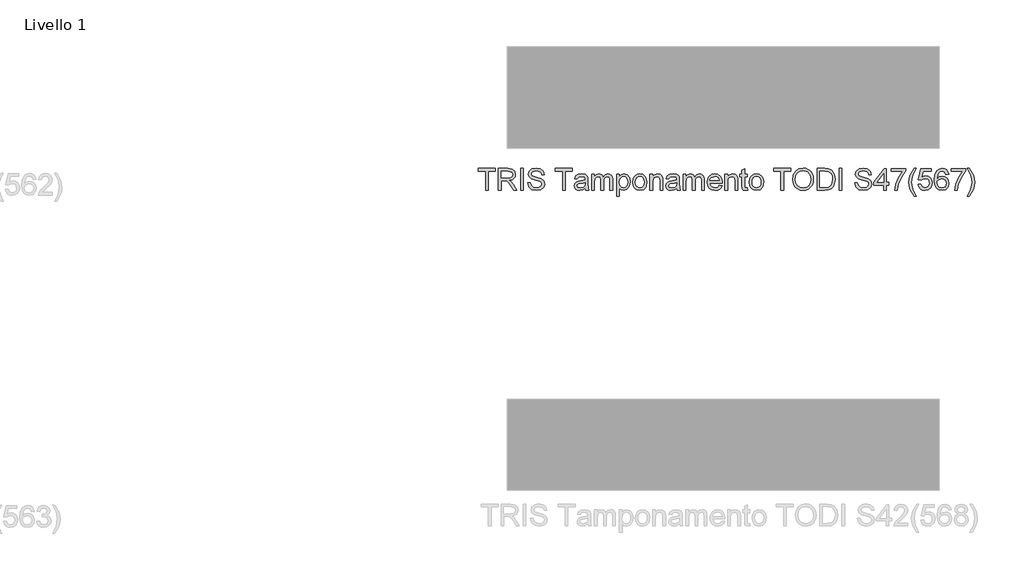
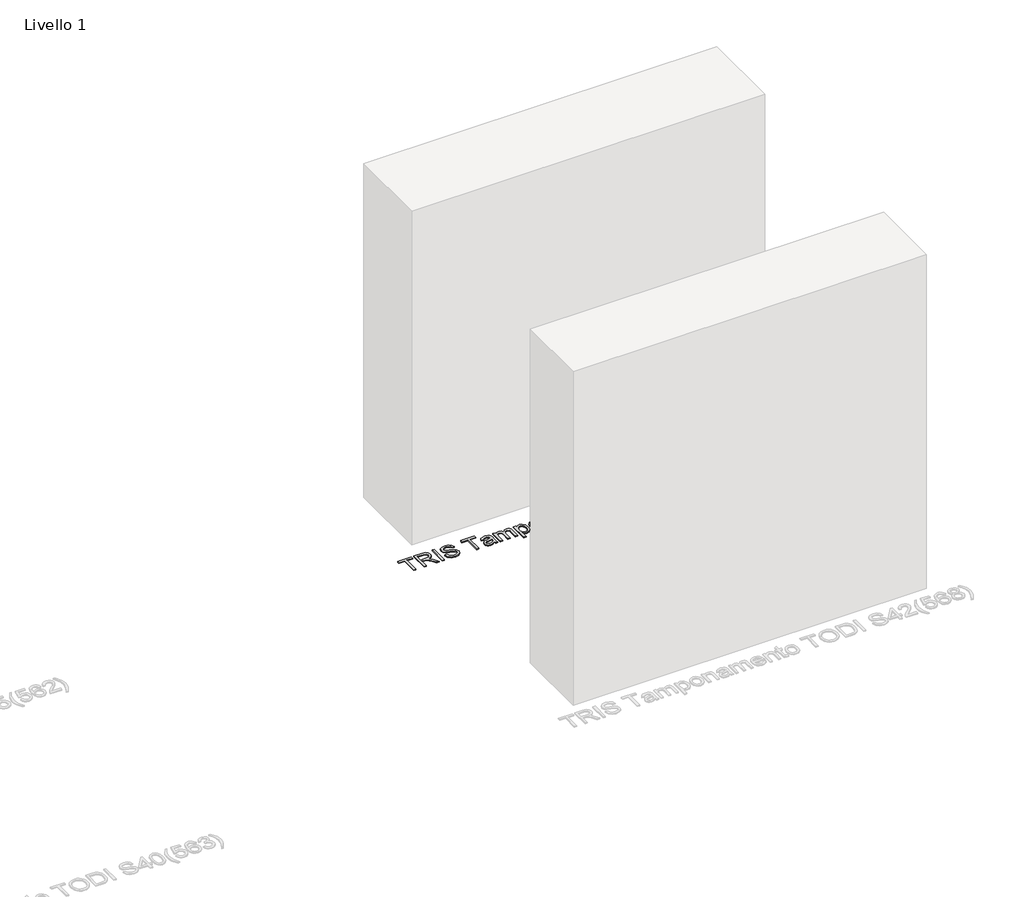
# One storey, part 16 of 18: 1 proxy.
"""IFC4 building model written with IfcOpenShell, lengths in millimetres."""

from ifc_helpers import new_model, si_unit, origin, origin_with_axes, place, context, project, spatial, polyline, outline, extrude, element, save

model = new_model("IFC4")

# Units and contexts
model_context = context("Model", 3, world=origin())
ifc_project = project(units=[si_unit("LENGTHUNIT", "METRE", prefix="MILLI")], contexts=[model_context])

# Site, building, storey
site = spatial("IfcSite", under=ifc_project)
building = spatial("IfcBuilding", under=site)
storey = spatial("IfcBuildingStorey", under=building, Name="Livello 1", Elevation=0.0)

# Proxy
placement = place(None, origin())
element("IfcBuildingElementProxy", 1, Name="100", ObjectType="100", at=placement, inside=storey, context=model_context, shape_type="SweptSolid", body=[
    extrude(outline(polyline([(-1320.016729, 3170.2703955), (-1320.016729, 3258.1696668), (-1352.9789557, 3258.1696668), (-1352.9789557, 3270.7267056), (-1274.4974634, 3270.7267056), (-1274.4974634, 3258.1696668), (-1307.4596902, 3258.1696668), (-1307.4596902, 3170.2703955), (-1320.016729, 3170.2703955)])), origin_with_axes(), (0.0, 0.0, 1.0), 5.0),
    extrude(outline(polyline([(-1260.3707948, 3170.2703955), (-1260.3707948, 3270.7267056), (-1217.0833467, 3270.7267056), (-1196.9847271, 3268.0166416), (-1185.9973181, 3258.4271842), (-1181.8893025, 3243.2336578), (-1183.5907567, 3233.3376322), (-1188.6951194, 3225.1338637), (-1197.3556747, 3219.1189931), (-1209.7257068, 3215.789661), (-1202.5887961, 3210.4185839), (-1192.4107276, 3197.4936631), (-1175.6598341, 3170.2703955), (-1190.2524865, 3170.2703955), (-1203.3245601, 3191.0925164), (-1212.7668646, 3204.8758285), (-1219.4010033, 3211.3873398), (-1225.3729543, 3213.7785728), (-1232.6570178, 3214.2200312), (-1247.8137561, 3214.2200312), (-1247.8137561, 3170.2703955), (-1260.3707948, 3170.2703955)]), holes=[polyline([(-1247.8137561, 3226.7770699), (-1219.7075716, 3226.7770699), (-1205.3724365, 3228.5551662), (-1197.2299817, 3234.2450744), (-1194.4463413, 3242.767674), (-1199.7561047, 3253.8286593), (-1216.5437865, 3258.1696668), (-1247.8137561, 3258.1696668), (-1247.8137561, 3226.7770699)])]), origin_with_axes(), (0.0, 0.0, 1.0), 5.0),
    extrude(outline(polyline([(-1158.3448548, 3170.2703955), (-1158.3448548, 3270.7267056), (-1145.7878161, 3270.7267056), (-1145.7878161, 3170.2703955), (-1158.3448548, 3170.2703955)])), origin_with_axes(), (0.0, 0.0, 1.0), 5.0),
    extrude(outline(polyline([(-1125.3826281, 3204.8022521), (-1112.8255893, 3204.8022521), (-1108.7788873, 3192.2329506), (-1098.8951244, 3184.2866995), (-1083.8364881, 3181.2578044), (-1070.7153636, 3183.5509355), (-1062.241815, 3189.8539803), (-1059.4581745, 3198.278478), (-1061.5428392, 3206.1143645), (-1070.0777014, 3211.8165355), (-1088.3614366, 3216.6112641), (-1108.0431233, 3222.8039444), (-1118.7239639, 3232.1481471), (-1122.2433684, 3244.6316094), (-1117.8900981, 3258.8441172), (-1105.1736438, 3268.8750329), (-1086.5588148, 3272.2963355), (-1066.6931871, 3268.7156174), (-1053.4494353, 3258.1941923), (-1048.4707656, 3242.4733684), (-1061.0278044, 3242.4733684), (-1063.3331982, 3249.9658984), (-1068.1401896, 3255.3737637), (-1086.0683055, 3259.7392967), (-1104.0454723, 3255.4228146), (-1109.6863296, 3244.9994914), (-1105.6886786, 3236.2929509), (-1085.1853887, 3229.2786675), (-1062.9653162, 3222.9756226), (-1050.8129476, 3212.7975541), (-1046.9011358, 3198.5973091), (-1051.4015588, 3183.575461), (-1064.3510051, 3172.6125775), (-1083.3459787, 3168.7007656), (-1105.7745177, 3172.9191458), (-1119.9625, 3185.6233374), (-1125.3826281, 3204.8022521)])), origin_with_axes(), (0.0, 0.0, 1.0), 5.0),
    extrude(outline(polyline([(-963.7107539, 3170.2703955), (-963.7107539, 3258.1696668), (-996.6729807, 3258.1696668), (-996.6729807, 3270.7267056), (-918.1914884, 3270.7267056), (-918.1914884, 3258.1696668), (-951.1537151, 3258.1696668), (-951.1537151, 3170.2703955), (-963.7107539, 3170.2703955)])), origin_with_axes(), (0.0, 0.0, 1.0), 5.0),
    extrude(outline(polyline([(-858.5455542, 3179.6881745), (-870.7224483, 3171.1778377), (-884.1746666, 3168.7007656), (-894.6685005, 3170.1906877), (-902.4093508, 3174.6604539), (-907.1826197, 3181.4478767), (-908.7737093, 3189.8907685), (-906.3702136, 3199.8235824), (-900.054906, 3207.0340695), (-891.2625263, 3211.1543479), (-880.3977447, 3213.0428088), (-858.6191306, 3217.3592908), (-858.5455542, 3220.155194), (-862.003645, 3229.4258203), (-875.8850589, 3233.0555893), (-888.5892505, 3230.6398309), (-894.6470407, 3222.0681804), (-907.2040794, 3223.6378102), (-901.7716887, 3235.9005434), (-890.8333307, 3243.086505), (-874.2663781, 3245.6126281), (-859.0483263, 3243.3808106), (-850.4521503, 3237.7767416), (-846.6016521, 3229.254142), (-845.9885155, 3218.2667331), (-845.9885155, 3202.644011), (-845.3508533, 3180.8286087), (-842.8492558, 3170.2703955), (-855.4062945, 3170.2703955), (-858.5455542, 3179.6881745)]), holes=[polyline([(-858.5455542, 3204.8022521), (-878.8035894, 3200.9517539), (-889.6070573, 3198.9161402), (-894.4998879, 3195.6052022), (-896.2166705, 3190.7736853), (-892.4765369, 3183.9801311), (-881.5013907, 3181.2578044), (-868.7971992, 3184.262174), (-860.6056934, 3191.5339748), (-858.6191306, 3201.2460595), (-858.5455542, 3204.8022521)])]), origin_with_axes(), (0.0, 0.0, 1.0), 5.0),
    extrude(outline(polyline([(-828.7225871, 3170.2703955), (-828.7225871, 3244.0429982), (-816.1655484, 3244.0429982), (-816.1655484, 3231.9028924), (-807.5325842, 3241.847969), (-795.2453256, 3245.6126281), (-782.6637613, 3241.7743926), (-775.7475798, 3231.0199756), (-765.949656, 3241.964465), (-753.5765583, 3245.6126281), (-744.1373194, 3244.0951148), (-737.1567585, 3239.5425752), (-732.8433422, 3231.8323817), (-731.4055367, 3220.8419071), (-731.4055367, 3170.2703955), (-743.9625755, 3170.2703955), (-743.9625755, 3215.4463045), (-745.1275351, 3225.9309413), (-749.3459153, 3231.093552), (-756.5196142, 3233.0555893), (-768.8681865, 3228.0278687), (-772.5562035, 3221.4857006), (-773.7855425, 3211.9146373), (-773.7855425, 3170.2703955), (-786.3425813, 3170.2703955), (-786.3425813, 3216.8442561), (-789.2488491, 3229.0088874), (-798.7769927, 3233.0555893), (-808.0721445, 3230.357788), (-814.252562, 3222.4605878), (-816.1655484, 3207.4755279), (-816.1655484, 3170.2703955), (-828.7225871, 3170.2703955)])), origin_with_axes(), (0.0, 0.0, 1.0), 5.0),
    extrude(outline(polyline([(-712.5699785, 3142.0170582), (-712.5699785, 3244.0429982), (-700.0129398, 3244.0429982), (-700.0129398, 3231.7312141), (-691.3309247, 3242.1422746), (-679.6077518, 3245.6126281), (-663.6907241, 3240.7565857), (-653.2919264, 3227.0713755), (-649.7847847, 3207.7207826), (-653.7456475, 3187.3769082), (-665.2480912, 3173.5200198), (-681.1283307, 3168.7007656), (-692.0544259, 3171.9258644), (-700.0129398, 3180.080582), (-700.0129398, 3142.0170582), (-712.5699785, 3142.0170582)]), holes=[polyline([(-700.0129398, 3206.5680857), (-698.6548421, 3195.3108966), (-694.580549, 3187.4382219), (-688.568744, 3182.8029088), (-681.3981108, 3181.2578044), (-674.1109816, 3182.8580911), (-667.9458925, 3187.6589511), (-663.7428407, 3195.8198), (-662.3418235, 3207.5000534), (-663.7091182, 3218.6959288), (-667.8110025, 3226.6789681), (-673.8136103, 3231.461434), (-680.883076, 3233.0555893), (-687.9801328, 3231.3602664), (-694.212667, 3226.2742979), (-698.5628716, 3217.9570991), (-700.0129398, 3206.5680857)])]), origin_with_axes(), (0.0, 0.0, 1.0), 5.0),
    extrude(outline(polyline([(-638.7973758, 3207.1566968), (-636.0811804, 3224.9437913), (-627.9325942, 3237.4456478), (-617.8648902, 3243.570883), (-605.8106235, 3245.6126281), (-592.6189883, 3243.1263589), (-582.0822348, 3235.6675515), (-575.1752504, 3223.8248169), (-572.8729222, 3208.1867664), (-576.9441496, 3185.8440666), (-588.8022126, 3173.2011887), (-605.8106235, 3168.7007656), (-619.1616743, 3171.1778377), (-629.686165, 3178.609054), (-636.5195731, 3190.7001089), (-638.7973758, 3207.1566968)]), holes=[polyline([(-626.240337, 3207.1812223), (-624.7872031, 3195.8167343), (-620.4278015, 3187.7202648), (-613.8672392, 3182.8734195), (-605.8106235, 3181.2578044), (-597.790796, 3182.8826165), (-591.2424965, 3187.757053), (-586.8830949, 3195.9608215), (-585.429961, 3207.5736298), (-586.8922919, 3218.6070239), (-591.2792847, 3226.5931289), (-597.8367813, 3231.4399742), (-605.8106235, 3233.0555893), (-613.8672392, 3231.4461056), (-620.4278015, 3226.6176544), (-624.7872031, 3218.5395789), (-626.240337, 3207.1812223)])]), origin_with_axes(), (0.0, 0.0, 1.0), 5.0),
    extrude(outline(polyline([(-558.7462536, 3170.2703955), (-558.7462536, 3244.0429982), (-546.1892148, 3244.0429982), (-546.1892148, 3233.7423024), (-536.5874948, 3242.6450466), (-523.478633, 3245.6126281), (-511.62057, 3243.2213951), (-503.5271661, 3236.9428757), (-499.7625071, 3227.7090376), (-499.1003195, 3215.5689318), (-499.1003195, 3170.2703955), (-511.6573582, 3170.2703955), (-511.6573582, 3213.8766746), (-513.1043607, 3224.9867109), (-518.2179205, 3230.8605601), (-526.8386219, 3233.0555893), (-540.4625185, 3228.1259706), (-544.7575408, 3220.9829285), (-546.1892148, 3209.4130397), (-546.1892148, 3170.2703955), (-558.7462536, 3170.2703955)])), origin_with_axes(), (0.0, 0.0, 1.0), 5.0),
    extrude(outline(polyline([(-434.7454958, 3179.6881745), (-446.9223898, 3171.1778377), (-460.3746081, 3168.7007656), (-470.868442, 3170.1906877), (-478.6092923, 3174.6604539), (-483.3825612, 3181.4478767), (-484.9736509, 3189.8907685), (-482.5701552, 3199.8235824), (-476.2548476, 3207.0340695), (-467.4624679, 3211.1543479), (-456.5976863, 3213.0428088), (-434.8190722, 3217.3592908), (-434.7454958, 3220.155194), (-438.2035865, 3229.4258203), (-452.0850005, 3233.0555893), (-464.789192, 3230.6398309), (-470.8469822, 3222.0681804), (-483.404021, 3223.6378102), (-477.9716302, 3235.9005434), (-467.0332722, 3243.086505), (-450.4663197, 3245.6126281), (-435.2482678, 3243.3808106), (-426.6520919, 3237.7767416), (-422.8015937, 3229.254142), (-422.188457, 3218.2667331), (-422.188457, 3202.644011), (-421.5507949, 3180.8286087), (-419.0491973, 3170.2703955), (-431.6062361, 3170.2703955), (-434.7454958, 3179.6881745)]), holes=[polyline([(-434.7454958, 3204.8022521), (-455.003531, 3200.9517539), (-465.8069989, 3198.9161402), (-470.6998294, 3195.6052022), (-472.4166121, 3190.7736853), (-468.6764785, 3183.9801311), (-457.7013323, 3181.2578044), (-444.9971407, 3184.262174), (-436.805635, 3191.5339748), (-434.8190722, 3201.2460595), (-434.7454958, 3204.8022521)])]), origin_with_axes(), (0.0, 0.0, 1.0), 5.0),
    extrude(outline(polyline([(-404.9225287, 3170.2703955), (-404.9225287, 3244.0429982), (-392.3654899, 3244.0429982), (-392.3654899, 3231.9028924), (-383.7325258, 3241.847969), (-371.4452671, 3245.6126281), (-358.8637029, 3241.7743926), (-351.9475214, 3231.0199756), (-342.1495976, 3241.964465), (-329.7764998, 3245.6126281), (-320.337261, 3244.0951148), (-313.3567001, 3239.5425752), (-309.0432837, 3231.8323817), (-307.6054782, 3220.8419071), (-307.6054782, 3170.2703955), (-320.162517, 3170.2703955), (-320.162517, 3215.4463045), (-321.3274767, 3225.9309413), (-325.5458569, 3231.093552), (-332.7195558, 3233.0555893), (-345.0681281, 3228.0278687), (-348.7561451, 3221.4857006), (-349.9854841, 3211.9146373), (-349.9854841, 3170.2703955), (-362.5425229, 3170.2703955), (-362.5425229, 3216.8442561), (-365.4487906, 3229.0088874), (-374.9769343, 3233.0555893), (-384.272086, 3230.357788), (-390.4525036, 3222.4605878), (-392.3654899, 3207.4755279), (-392.3654899, 3170.2703955), (-404.9225287, 3170.2703955)])), origin_with_axes(), (0.0, 0.0, 1.0), 5.0),
    extrude(outline(polyline([(-237.119288, 3192.2452133), (-224.8075039, 3190.6755835), (-229.2435476, 3181.3988258), (-236.3222103, 3174.4642502), (-245.8840765, 3170.1416368), (-257.7697306, 3168.7007656), (-272.5034045, 3171.1870348), (-283.8403014, 3178.6458422), (-291.0691826, 3190.59281), (-293.4788096, 3206.5435602), (-291.0446571, 3223.0308049), (-283.7421995, 3235.3609831), (-272.5585868, 3243.0497168), (-258.4809692, 3245.6126281), (-244.8417442, 3243.0558482), (-233.9432401, 3235.3855086), (-226.7971323, 3223.0798559), (-224.4150964, 3206.6171366), (-224.4886728, 3203.2326222), (-280.9217709, 3203.2326222), (-278.7482014, 3193.8332373), (-273.699021, 3186.9231871), (-266.4118918, 3182.6741501), (-257.524476, 3181.2578044), (-245.2126919, 3183.8820293), (-237.119288, 3192.2452133)]), holes=[polyline([(-280.9217709, 3215.789661), (-236.9721352, 3215.789661), (-241.9998558, 3227.1694774), (-249.3207075, 3231.5840613), (-258.5300201, 3233.0555893), (-273.9933266, 3228.3589625), (-278.858566, 3222.8683237), (-280.9217709, 3215.789661)])]), origin_with_axes(), (0.0, 0.0, 1.0), 5.0),
    extrude(outline(polyline([(-211.8580576, 3170.2703955), (-211.8580576, 3244.0429982), (-199.3010189, 3244.0429982), (-199.3010189, 3233.7423024), (-189.6992988, 3242.6450466), (-176.590437, 3245.6126281), (-164.7323741, 3243.2213951), (-156.6389702, 3236.9428757), (-152.8743111, 3227.7090376), (-152.2121235, 3215.5689318), (-152.2121235, 3170.2703955), (-164.7691623, 3170.2703955), (-164.7691623, 3213.8766746), (-166.2161648, 3224.9867109), (-171.3297245, 3230.8605601), (-179.9504259, 3233.0555893), (-193.5743225, 3228.1259706), (-197.8693448, 3220.9829285), (-199.3010189, 3209.4130397), (-199.3010189, 3170.2703955), (-211.8580576, 3170.2703955)])), origin_with_axes(), (0.0, 0.0, 1.0), 5.0),
    extrude(outline(polyline([(-108.2624878, 3180.7427696), (-106.6928579, 3169.9025135), (-116.0861116, 3168.7007656), (-126.6075366, 3170.7854303), (-131.8559864, 3176.2546092), (-133.3765653, 3190.5039052), (-133.3765653, 3231.4859595), (-142.7943444, 3231.4859595), (-142.7943444, 3244.0429982), (-133.3765653, 3244.0429982), (-133.3765653, 3261.9711141), (-120.8195266, 3269.3532795), (-120.8195266, 3244.0429982), (-108.2624878, 3244.0429982), (-108.2624878, 3231.4859595), (-120.8195266, 3231.4859595), (-120.8195266, 3190.8717872), (-120.157339, 3184.3970641), (-118.0113607, 3182.103933), (-113.7316668, 3181.2578044), (-108.2624878, 3180.7427696)])), origin_with_axes(), (0.0, 0.0, 1.0), 5.0),
    extrude(outline(polyline([(-98.8447087, 3207.1566968), (-96.1285133, 3224.9437913), (-87.9799271, 3237.4456478), (-77.9122232, 3243.570883), (-65.8579565, 3245.6126281), (-52.6663213, 3243.1263589), (-42.1295678, 3235.6675515), (-35.2225833, 3223.8248169), (-32.9202552, 3208.1867664), (-36.9914826, 3185.8440666), (-48.8495456, 3173.2011887), (-65.8579565, 3168.7007656), (-79.2090072, 3171.1778377), (-89.733498, 3178.609054), (-96.566906, 3190.7001089), (-98.8447087, 3207.1566968)]), holes=[polyline([(-86.2876699, 3207.1812223), (-84.8345361, 3195.8167343), (-80.4751344, 3187.7202648), (-73.9145722, 3182.8734195), (-65.8579565, 3181.2578044), (-57.838129, 3182.8826165), (-51.2898295, 3187.757053), (-46.9304278, 3195.9608215), (-45.4772939, 3207.5736298), (-46.9396249, 3218.6070239), (-51.3266177, 3226.5931289), (-57.8841142, 3231.4399742), (-65.8579565, 3233.0555893), (-73.9145722, 3231.4461056), (-80.4751344, 3226.6176544), (-84.8345361, 3218.5395789), (-86.2876699, 3207.1812223)])]), origin_with_axes(), (0.0, 0.0, 1.0), 5.0),
    extrude(outline(polyline([(47.130867, 3170.2703955), (47.130867, 3258.1696668), (14.1686402, 3258.1696668), (14.1686402, 3270.7267056), (92.6501325, 3270.7267056), (92.6501325, 3258.1696668), (59.6879057, 3258.1696668), (59.6879057, 3170.2703955), (47.130867, 3170.2703955)])), origin_with_axes(), (0.0, 0.0, 1.0), 5.0),
    extrude(outline(polyline([(102.0679116, 3219.1741754), (105.4156377, 3241.3881165), (115.4588162, 3258.1941923), (130.793364, 3268.7707997), (150.0151983, 3272.2963355), (163.1915051, 3270.6408665), (175.0066485, 3265.6744595), (184.816835, 3257.7466025), (191.9782712, 3247.2067834), (196.3560669, 3234.5639055), (197.8153322, 3220.3268723), (196.2794249, 3205.8997667), (191.6717029, 3193.0790792), (184.2466179, 3182.5208659), (174.2586218, 3174.8811831), (162.5446459, 3170.24587), (149.9416219, 3168.7007656), (136.56298, 3170.4083512), (124.6803916, 3175.531108), (114.8947305, 3183.6061178), (107.8068707, 3194.1704624), (102.0679116, 3219.1741754)]), holes=[polyline([(114.6249504, 3219.051548), (117.135745, 3203.3368555), (124.6681288, 3191.3622965), (135.9896972, 3183.7839274), (149.8680455, 3181.2578044), (163.9487289, 3183.8084529), (175.2886914, 3191.4603984), (182.7658929, 3203.8028393), (185.2582934, 3220.4249741), (180.9908623, 3241.1489932), (168.5196626, 3254.8709916), (150.0887747, 3259.7392967), (136.5813741, 3257.394049), (125.0973245, 3250.3583058), (117.2430439, 3237.8411209), (114.6249504, 3219.051548)])]), origin_with_axes(), (0.0, 0.0, 1.0), 5.0),
    extrude(outline(polyline([(215.0812605, 3170.2703955), (215.0812605, 3270.7267056), (249.7357444, 3270.7267056), (267.6638603, 3269.2797031), (282.4281911, 3262.0937415), (294.3230423, 3244.925915), (298.2716423, 3221.0381108), (295.5983665, 3200.7678129), (288.7312359, 3186.1383722), (279.5587115, 3177.0271614), (267.5534957, 3171.9871781), (251.4034762, 3170.2703955), (215.0812605, 3170.2703955)]), holes=[polyline([(227.6382993, 3182.8274342), (249.8583718, 3182.8274342), (266.0206541, 3184.6423187), (275.3403313, 3189.7681412), (282.9800141, 3202.2393408), (285.7146036, 3221.2343145), (284.3749, 3234.9195247), (280.3557892, 3245.0240169), (267.3205038, 3256.1585786), (249.5150153, 3258.1696668), (227.6382993, 3258.1696668), (227.6382993, 3182.8274342)])]), origin_with_axes(), (0.0, 0.0, 1.0), 5.0),
    extrude(outline(polyline([(317.1072005, 3170.2703955), (317.1072005, 3270.7267056), (329.6642393, 3270.7267056), (329.6642393, 3170.2703955), (317.1072005, 3170.2703955)])), origin_with_axes(), (0.0, 0.0, 1.0), 5.0),
    extrude(outline(polyline([(389.3101734, 3204.8022521), (401.8672122, 3204.8022521), (405.9139141, 3192.2329506), (415.7976771, 3184.2866995), (430.8563134, 3181.2578044), (443.9774379, 3183.5509355), (452.4509865, 3189.8539803), (455.234627, 3198.278478), (453.1499623, 3206.1143645), (444.6151, 3211.8165355), (426.3313649, 3216.6112641), (406.6496781, 3222.8039444), (395.9688375, 3232.1481471), (392.4494331, 3244.6316094), (396.8027034, 3258.8441172), (409.5191577, 3268.8750329), (428.1339866, 3272.2963355), (447.9996144, 3268.7156174), (461.2433662, 3258.1941923), (466.2220359, 3242.4733684), (453.6649971, 3242.4733684), (451.3596033, 3249.9658984), (446.5526119, 3255.3737637), (428.624496, 3259.7392967), (410.6473291, 3255.4228146), (405.0064719, 3244.9994914), (409.0041229, 3236.2929509), (429.5074128, 3229.2786675), (451.7274853, 3222.9756226), (463.8798538, 3212.7975541), (467.7916657, 3198.5973091), (463.2912426, 3183.575461), (450.3417964, 3172.6125775), (431.3468227, 3168.7007656), (408.9182838, 3172.9191458), (394.7303015, 3185.6233374), (389.3101734, 3204.8022521)])), origin_with_axes(), (0.0, 0.0, 1.0), 5.0),
    extrude(outline(polyline([(522.7287103, 3170.2703955), (522.7287103, 3193.8148432), (477.2094448, 3193.8148432), (477.2094448, 3206.3718819), (525.86797, 3269.1570758), (535.2857491, 3269.1570758), (535.2857491, 3206.3718819), (547.8427879, 3206.3718819), (547.8427879, 3193.8148432), (535.2857491, 3193.8148432), (535.2857491, 3170.2703955), (522.7287103, 3170.2703955)]), holes=[polyline([(522.7287103, 3206.3718819), (522.7287103, 3245.1711697), (492.6604886, 3206.3718819), (522.7287103, 3206.3718819)])]), origin_with_axes(), (0.0, 0.0, 1.0), 5.0),
    extrude(outline(polyline([(558.8301968, 3256.600037), (558.8301968, 3269.1570758), (624.7546503, 3269.1570758), (624.7546503, 3259.0035327), (606.0539822, 3231.9887315), (591.7433726, 3197.5672395), (587.083534, 3170.2703955), (574.5264953, 3170.2703955), (579.5174277, 3198.5973091), (593.2149006, 3230.6153054), (612.1976116, 3256.600037), (558.8301968, 3256.600037)])), origin_with_axes(), (0.0, 0.0, 1.0), 5.0),
    extrude(outline(polyline([(663.9953965, 3142.0170582), (646.1653825, 3171.4721433), (640.7023348, 3188.6522325), (638.8813189, 3206.4454583), (644.3259725, 3236.9796639), (663.9953965, 3270.7267056), (673.4131756, 3270.7267056), (661.6654772, 3250.8365524), (654.6021429, 3231.5595359), (651.4383577, 3206.3718819), (656.9320622, 3174.1822073), (673.4131756, 3142.0170582), (663.9953965, 3142.0170582)])), origin_with_axes(), (0.0, 0.0, 1.0), 5.0),
    extrude(outline(polyline([(682.8309546, 3196.9541028), (695.3879934, 3198.5237327), (701.7155637, 3185.5865492), (714.8366882, 3181.2578044), (723.8375344, 3182.7630549), (730.5820376, 3187.2788064), (734.7942865, 3194.2838927), (736.1983694, 3203.2571477), (730.9376569, 3218.1686312), (724.3311094, 3222.2705155), (715.0328919, 3223.6378102), (704.0086948, 3221.4550437), (696.9576233, 3215.789661), (684.4005845, 3217.3592908), (695.3879934, 3269.1570758), (744.0465186, 3269.1570758), (744.0465186, 3256.600037), (705.5415365, 3256.600037), (700.1704593, 3228.935311), (709.1406487, 3234.3799645), (718.5400336, 3236.194849), (730.2724036, 3233.9446375), (740.0120794, 3227.1940028), (746.569576, 3216.9055697), (748.7554082, 3204.0419626), (746.7872395, 3191.4849239), (740.8827335, 3180.7427696), (729.5764935, 3171.7112666), (714.7876373, 3168.7007656), (702.4543934, 3170.6352118), (692.6288784, 3176.4385502), (685.8935722, 3185.4363307), (682.8309546, 3196.9541028)])), origin_with_axes(), (0.0, 0.0, 1.0), 5.0),
    extrude(outline(polyline([(824.0976408, 3244.0429982), (811.540602, 3242.4733684), (806.7826615, 3252.9457425), (794.2010973, 3258.1696668), (782.8703319, 3255.128509), (774.2986814, 3243.7119044), (770.730226, 3221.3324164), (781.8034741, 3231.3510694), (795.5254725, 3234.6252192), (807.1260181, 3232.3872703), (816.8626282, 3225.6734239), (823.46611, 3215.4156476), (825.6672706, 3202.5459092), (821.5224668, 3185.2186672), (810.118125, 3172.955934), (793.6615371, 3168.7007656), (779.4153068, 3171.5211942), (768.0692129, 3179.9824801), (760.6471937, 3194.9184891), (758.1731872, 3217.1630871), (760.9200395, 3242.1729314), (769.1605962, 3259.2733128), (780.4116539, 3267.8633574), (794.9859122, 3270.7267056), (806.003978, 3268.9547407), (814.8270145, 3263.6388458), (821.007432, 3255.195954), (824.0976408, 3244.0429982)]), holes=[polyline([(770.730226, 3202.7421129), (773.6364938, 3191.8650686), (781.3620157, 3183.9678684), (792.6805184, 3181.2578044), (800.9670603, 3182.6618873), (807.4816373, 3186.8741362), (811.7030832, 3193.4960121), (813.1102319, 3202.1289762), (811.7214773, 3210.4155182), (807.5552137, 3216.7338915), (800.9302721, 3220.7346082), (792.1654836, 3222.0681804), (776.9719572, 3216.7338915), (772.2906588, 3210.5688024), (770.730226, 3202.7421129)])]), origin_with_axes(), (0.0, 0.0, 1.0), 5.0),
    extrude(outline(polyline([(836.6546796, 3256.600037), (836.6546796, 3269.1570758), (902.5791331, 3269.1570758), (902.5791331, 3259.0035327), (883.878465, 3231.9887315), (869.5678554, 3197.5672395), (864.9080168, 3170.2703955), (852.350978, 3170.2703955), (857.3419104, 3198.5973091), (871.0393834, 3230.6153054), (890.0220943, 3256.600037), (836.6546796, 3256.600037)])), origin_with_axes(), (0.0, 0.0, 1.0), 5.0),
    extrude(outline(polyline([(919.8450614, 3142.0170582), (910.4272823, 3142.0170582), (926.9083957, 3174.1822073), (932.4021002, 3206.3718819), (929.238315, 3231.3388067), (922.2485571, 3250.6403487), (910.4272823, 3270.7267056), (919.8450614, 3270.7267056), (939.5144854, 3236.9796639), (944.9591389, 3206.4454583), (943.128926, 3188.6522325), (937.6382872, 3171.4721433), (919.8450614, 3142.0170582)])), origin_with_axes(), (0.0, 0.0, 1.0), 5.0),
])

save(model, "model.ifc")
